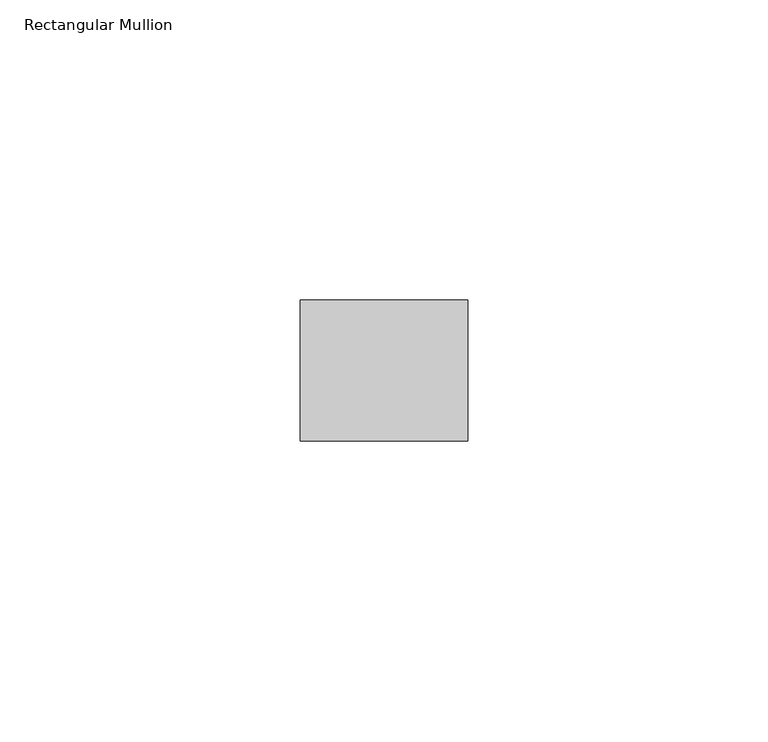
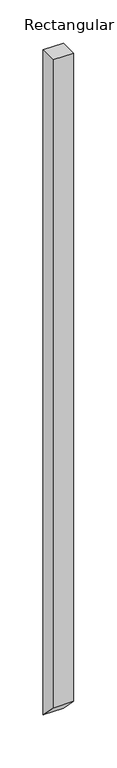
"""IFC4 building model written with IfcOpenShell, lengths in millimetres: member geometry, Rectangular Mullion."""

from ifc_helpers import new_model, si_unit, frame, origin, place, context, project, spatial, polyline, outline, extrude, source, transform, mapped, element, save


def rectangular_mullion_63a2f786(model_context):
    return source(origin(), model_context, "Body", "SweptSolid", [
        extrude(outline(polyline([(-11.7474999, 0.0), (11.7474999, 0.0), (11.7474999, -942.8687003), (-11.7474999, -919.3737005), (-11.7474999, 0.0)])), frame((-27.94, 0.0, 0.0), z_axis=(1.0, 0.0, 0.0), x_axis=(0.0, 1.0, 0.0)), (0.0, 0.0, 1.0), 27.94),
    ])


if __name__ == "__main__":
    model = new_model("IFC4")
    model_context = context("Model", 3, world=origin())
    ifc_project = project(units=[si_unit("LENGTHUNIT", "METRE", prefix="MILLI")], contexts=[model_context])
    site = spatial("IfcSite", under=ifc_project)
    building = spatial("IfcBuilding", under=site)
    placement = place(None, origin())
    rectangular_mullion_shape = rectangular_mullion_63a2f786(model_context)
    element("IfcMember", 1, ObjectType="Rectangular Mullion", at=placement, inside=building, context=model_context, shape_type="MappedRepresentation", body=[
        mapped(rectangular_mullion_shape, transform((0.0, 0.0, 0.0), x_axis=(1.0, 0.0, 0.0), y_axis=(0.0, 1.0, 0.0), z_axis=(0.0, 0.0, 1.0))),
    ])
    save(model, "model.ifc")
